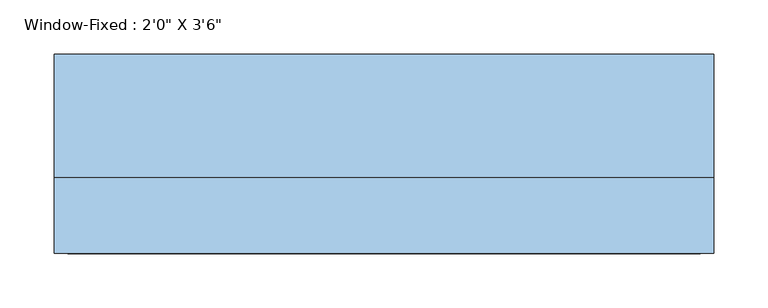
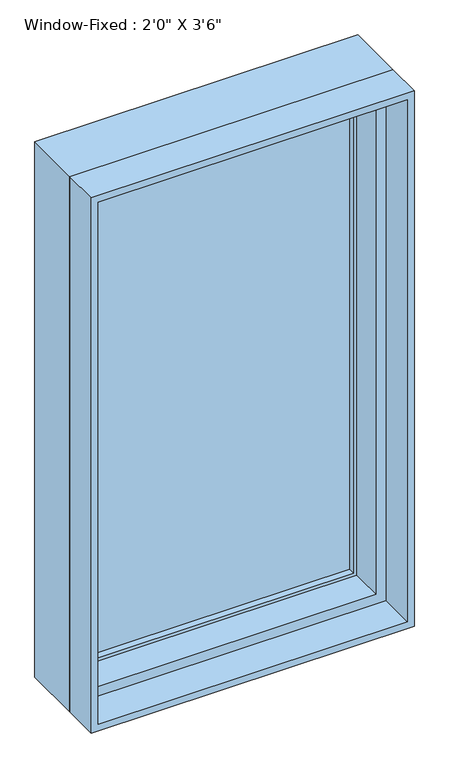
"""IFC4 building model written with IfcOpenShell, lengths in millimetres: window geometry."""

from ifc_helpers import new_model, si_unit, frame, origin, place, context, project, spatial, polyline, outline, extrude, faceted_brep, source, transform, mapped, element, save


def window_7a14f0b9(model_context):
    return source(origin(), model_context, "Body", "SolidModel", [
        extrude(outline(polyline([(266.7, 82.55), (266.7, 76.2), (-266.7, 76.2), (-266.7, 82.55), (266.7, 82.55)])), frame((0.0, 0.0, 952.5), z_axis=(0.0, 0.0, 1.0), x_axis=(1.0, 0.0, 0.0)), (0.0, 0.0, 1.0), 990.6),
        extrude(outline(polyline([(-266.7, 63.5), (-266.7, 69.85), (266.7, 69.85), (266.7, 63.5), (-266.7, 63.5)])), frame((0.0, 0.0, 952.5), z_axis=(0.0, 0.0, 1.0), x_axis=(1.0, 0.0, 0.0)), (0.0, 0.0, 1.0), 990.6),
        extrude(outline(polyline([(927.1, 292.1), (1968.5, 292.1), (1968.5, -292.1), (927.1, -292.1), (927.1, 292.1)]), holes=[polyline([(952.5, -266.7), (1943.1, -266.7), (1943.1, 266.7), (952.5, 266.7), (952.5, -266.7)])]), frame((0.0, 50.8, 0.0), z_axis=(0.0, 1.0, 0.0), x_axis=(0.0, 0.0, 1.0)), (0.0, 0.0, 1.0), 44.45),
        extrude(outline(polyline([(1981.2, -304.8), (914.4, -304.8), (914.4, 304.8), (1981.2, 304.8), (1981.2, -304.8)]), holes=[polyline([(1968.5, 292.1), (927.1, 292.1), (927.1, -292.1), (1968.5, -292.1), (1968.5, 292.1)])]), frame((0.0, -82.55, 0.0), z_axis=(0.0, 1.0, 0.0), x_axis=(0.0, 0.0, 1.0)), (0.0, 0.0, 1.0), 69.85),
        faceted_brep([(304.8, -12.7, 1981.2), (304.8, 101.6, 1981.2), (-304.8, 101.6, 1981.2), (-304.8, -12.7, 1981.2), (-304.8, 101.6, 914.4), (-304.8, -12.7, 914.4), (304.8, 101.6, 914.4), (304.8, -12.7, 914.4), (273.05, -12.7, 1949.45), (273.05, -12.7, 946.15), (-273.05, -12.7, 946.15), (-273.05, -12.7, 1949.45), (-292.1, 101.6, 1968.5), (-292.1, 101.6, 927.1), (292.1, 101.6, 927.1), (292.1, 101.6, 1968.5), (273.05, 50.8, 1949.45), (-273.05, 50.8, 1949.45), (292.1, 50.8, 1968.5), (-292.1, 50.8, 1968.5), (-273.05, 50.8, 946.15), (-292.1, 50.8, 927.1), (273.05, 50.8, 946.15), (292.1, 50.8, 927.1)], [[[0, 1, 2, 3]], [[3, 2, 4, 5]], [[5, 4, 6, 7]], [[3, 5, 7, 0], [8, 9, 10, 11]], [[7, 6, 1, 0]], [[1, 6, 4, 2], [12, 13, 14, 15]], [[16, 8, 11, 17]], [[15, 18, 19, 12]], [[17, 11, 10, 20]], [[12, 19, 21, 13]], [[20, 10, 9, 22]], [[13, 21, 23, 14]], [[22, 9, 8, 16]], [[18, 23, 21, 19], [17, 20, 22, 16]], [[14, 23, 18, 15]]]),
    ])


if __name__ == "__main__":
    model = new_model("IFC4")
    model_context = context("Model", 3, world=origin())
    ifc_project = project(units=[si_unit("LENGTHUNIT", "METRE", prefix="MILLI")], contexts=[model_context])
    site = spatial("IfcSite", under=ifc_project)
    building = spatial("IfcBuilding", under=site)
    placement = place(None, origin())
    window_shape = window_7a14f0b9(model_context)
    element("IfcWindow", 1, ObjectType="Window-Fixed : 2'0\" X 3'6\"", at=placement, inside=building, context=model_context, shape_type="MappedRepresentation", body=[
        mapped(window_shape, transform((0.0, 0.0, 0.0), x_axis=(1.0, 0.0, 0.0), y_axis=(0.0, 1.0, 0.0), z_axis=(0.0, 0.0, 1.0))),
    ])
    save(model, "model.ifc")
